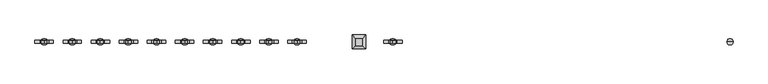
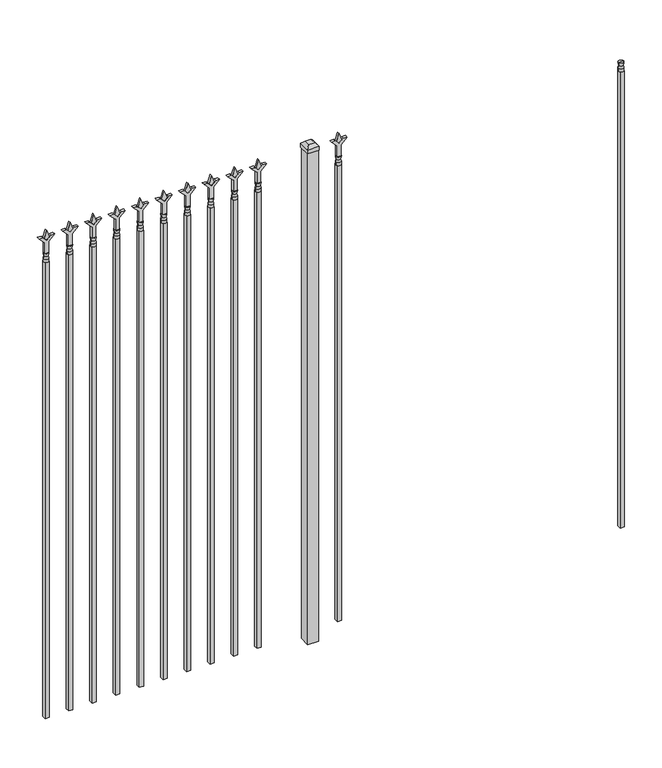
"""IFC4 building model written with IfcOpenShell, lengths in millimetres: railing geometry."""

from ifc_helpers import new_model, si_unit, frame, origin, origin_with_axes, place, context, project, spatial, polyline, circle_curve, outline, extrude, faceted_brep, source, transform, mapped, element, save
from ifc_brep_helpers import plane_surface, cylinder_surface, revolved_surface, advanced_brep


def railing_0f80632a(model_context):
    return source(origin(), model_context, "Body", "SolidModel", [
        advanced_brep(
        [(-52219.574337, -635.2570174, 2298.7), (-52243.386837, -635.2570174, 2298.7), (-52243.386837, -635.2570174, 2286.0), (-52219.574337, -635.2570174, 2286.0), (-52221.7796688, -635.2570174, 2311.2070585), (-52241.1815051, -635.2570174, 2311.2070585), (-52219.574337, -635.2570174, 2327.275), (-52243.386837, -635.2570174, 2327.275), (-52231.480587, -635.2570174, 2327.275), (-52231.480587, -635.2570174, 2286.0)],
        [
            (0, 1, circle_curve(frame((-52231.480587, -635.2570174, 2298.7), z_axis=(0.0, 0.0, -1.0), x_axis=(-1.0, 0.0, 0.0)), 11.90625)),
            (1, 2),
            (2, 3, circle_curve(frame((-52231.480587, -635.2570174, 2286.0), z_axis=(0.0, 0.0, 1.0), x_axis=(-1.0, 0.0, 0.0)), 11.90625)),
            (3, 0),
            (1, 0, circle_curve(frame((-52231.480587, -635.2570174, 2298.7), z_axis=(0.0, 0.0, -1.0), x_axis=(-1.0, 0.0, 0.0)), 11.90625)),
            (3, 2, circle_curve(frame((-52231.480587, -635.2570174, 2286.0), z_axis=(0.0, 0.0, 1.0), x_axis=(-1.0, 0.0, 0.0)), 11.90625)),
            (4, 5, circle_curve(frame((-52231.480587, -635.2570174, 2311.2070585), z_axis=(0.0, 0.0, -1.0), x_axis=(-1.0, 0.0, 0.0)), 9.7009181)),
            (5, 1),
            (0, 4),
            (5, 4, circle_curve(frame((-52231.480587, -635.2570174, 2311.2070585), z_axis=(0.0, 0.0, -1.0), x_axis=(-1.0, 0.0, 0.0)), 9.7009181)),
            (6, 7, circle_curve(frame((-52231.480587, -635.2570174, 2327.275), z_axis=(0.0, 0.0, -1.0), x_axis=(-1.0, 0.0, 0.0)), 11.90625)),
            (7, 5),
            (4, 6),
            (7, 6, circle_curve(frame((-52231.480587, -635.2570174, 2327.275), z_axis=(0.0, 0.0, -1.0), x_axis=(-1.0, 0.0, 0.0)), 11.90625)),
            (8, 7),
            (6, 8),
            (2, 9),
            (9, 3),
        ],
        [
            cylinder_surface(frame((-52231.480587, -635.2570174, 2286.0), z_axis=(0.0, 0.0, 1.0), x_axis=(-1.0, 0.0, 0.0)), 11.90625),
            revolved_surface(polyline([(-52243.386837, -635.2570174, 2298.7), (-52241.1815051, -635.2570174, 2311.2070585)]), (-52231.480587, -635.2570174, 2286.0), (0.0, 0.0, 1.0)),
            revolved_surface(polyline([(-52241.1815051, -635.2570174, 2311.2070585), (-52243.386837, -635.2570174, 2327.275)]), (-52231.480587, -635.2570174, 2286.0), (0.0, 0.0, 1.0)),
            plane_surface(frame((-52231.480587, -635.2570174, 2327.275), z_axis=(0.0, 0.0, 1.0), x_axis=(-1.0, 0.0, 0.0))),
            plane_surface(frame((-52231.480587, -635.2570174, 2286.0), z_axis=(0.0, 0.0, -1.0), x_axis=(-1.0, 0.0, 0.0))),
        ],
        [
            (0, [[1, 2, 3, 4]]),
            (0, [[5, -4, 6, -2]]),
            (1, [[7, 8, -1, 9]]),
            (1, [[10, -9, -5, -8]]),
            (2, [[11, 12, -7, 13]]),
            (2, [[14, -13, -10, -12]]),
            (3, [[15, -11, 16]]),
            (3, [[-16, -14, -15]]),
            (4, [[-3, 17, 18]]),
            (4, [[-6, -18, -17]]),
        ],
    ),
        extrude(outline(polyline([(-52241.005587, -625.7320174), (-52221.955587, -625.7320174), (-52221.955587, -644.7820174), (-52241.005587, -644.7820174), (-52241.005587, -625.7320174)])), frame((0.0, 0.0, 50.8), z_axis=(0.0, 0.0, 1.0), x_axis=(1.0, 0.0, 0.0)), (0.0, 0.0, 1.0), 2235.2),
        extrude(outline(polyline([(2402.68125, -53530.849337), (2438.4, -53542.755587), (2402.68125, -53554.661837), (2390.775, -53542.755587), (2402.68125, -53530.849337)])), frame((0.0, -640.0195174, 0.0), z_axis=(0.0, 1.0, 0.0), x_axis=(0.0, 0.0, 1.0)), (0.0, 0.0, 1.0), 9.525),
        extrude(outline(polyline([(2327.275, -53534.024337), (2381.5457378, -53534.024337), (2408.7355122, -53506.8345625), (2408.7355122, -53524.7950747), (2390.775, -53542.755587), (2408.7355122, -53560.7160992), (2408.7355122, -53578.6766114), (2381.5457378, -53551.486837), (2327.275, -53551.486837), (2327.275, -53534.024337)])), frame((0.0, -641.6070174, 0.0), z_axis=(0.0, 1.0, 0.0), x_axis=(0.0, 0.0, 1.0)), (0.0, 0.0, 1.0), 12.7),
        advanced_brep(
        [(-53530.849337, -635.2570174, 2298.7), (-53554.661837, -635.2570174, 2298.7), (-53554.661837, -635.2570174, 2286.0), (-53530.849337, -635.2570174, 2286.0), (-53533.0546688, -635.2570174, 2311.2070585), (-53552.4565051, -635.2570174, 2311.2070585), (-53530.849337, -635.2570174, 2327.275), (-53554.661837, -635.2570174, 2327.275), (-53542.755587, -635.2570174, 2327.275), (-53542.755587, -635.2570174, 2286.0)],
        [
            (0, 1, circle_curve(frame((-53542.755587, -635.2570174, 2298.7), z_axis=(0.0, 0.0, -1.0), x_axis=(-1.0, 0.0, 0.0)), 11.90625)),
            (1, 2),
            (2, 3, circle_curve(frame((-53542.755587, -635.2570174, 2286.0), z_axis=(0.0, 0.0, 1.0), x_axis=(-1.0, 0.0, 0.0)), 11.90625)),
            (3, 0),
            (1, 0, circle_curve(frame((-53542.755587, -635.2570174, 2298.7), z_axis=(0.0, 0.0, -1.0), x_axis=(-1.0, 0.0, 0.0)), 11.90625)),
            (3, 2, circle_curve(frame((-53542.755587, -635.2570174, 2286.0), z_axis=(0.0, 0.0, 1.0), x_axis=(-1.0, 0.0, 0.0)), 11.90625)),
            (4, 5, circle_curve(frame((-53542.755587, -635.2570174, 2311.2070585), z_axis=(0.0, 0.0, -1.0), x_axis=(-1.0, 0.0, 0.0)), 9.7009181)),
            (5, 1),
            (0, 4),
            (5, 4, circle_curve(frame((-53542.755587, -635.2570174, 2311.2070585), z_axis=(0.0, 0.0, -1.0), x_axis=(-1.0, 0.0, 0.0)), 9.7009181)),
            (6, 7, circle_curve(frame((-53542.755587, -635.2570174, 2327.275), z_axis=(0.0, 0.0, -1.0), x_axis=(-1.0, 0.0, 0.0)), 11.90625)),
            (7, 5),
            (4, 6),
            (7, 6, circle_curve(frame((-53542.755587, -635.2570174, 2327.275), z_axis=(0.0, 0.0, -1.0), x_axis=(-1.0, 0.0, 0.0)), 11.90625)),
            (8, 7),
            (6, 8),
            (2, 9),
            (9, 3),
        ],
        [
            cylinder_surface(frame((-53542.755587, -635.2570174, 2286.0), z_axis=(0.0, 0.0, 1.0), x_axis=(-1.0, 0.0, 0.0)), 11.90625),
            revolved_surface(polyline([(-53554.661837, -635.2570174, 2298.7), (-53552.4565051, -635.2570174, 2311.2070585)]), (-53542.755587, -635.2570174, 2286.0), (0.0, 0.0, 1.0)),
            revolved_surface(polyline([(-53552.4565051, -635.2570174, 2311.2070585), (-53554.661837, -635.2570174, 2327.275)]), (-53542.755587, -635.2570174, 2286.0), (0.0, 0.0, 1.0)),
            plane_surface(frame((-53542.755587, -635.2570174, 2327.275), z_axis=(0.0, 0.0, 1.0), x_axis=(-1.0, 0.0, 0.0))),
            plane_surface(frame((-53542.755587, -635.2570174, 2286.0), z_axis=(0.0, 0.0, -1.0), x_axis=(-1.0, 0.0, 0.0))),
        ],
        [
            (0, [[1, 2, 3, 4]]),
            (0, [[5, -4, 6, -2]]),
            (1, [[7, 8, -1, 9]]),
            (1, [[10, -9, -5, -8]]),
            (2, [[11, 12, -7, 13]]),
            (2, [[14, -13, -10, -12]]),
            (3, [[15, -11, 16]]),
            (3, [[-16, -14, -15]]),
            (4, [[-3, 17, 18]]),
            (4, [[-6, -18, -17]]),
        ],
    ),
        extrude(outline(polyline([(-53552.280587, -625.7320174), (-53533.230587, -625.7320174), (-53533.230587, -644.7820174), (-53552.280587, -644.7820174), (-53552.280587, -625.7320174)])), frame((0.0, 0.0, 50.8), z_axis=(0.0, 0.0, 1.0), x_axis=(1.0, 0.0, 0.0)), (0.0, 0.0, 1.0), 2235.2),
        extrude(outline(polyline([(-53649.118087, -609.8570174), (-53649.118087, -660.6570174), (-53699.918087, -660.6570174), (-53699.918087, -609.8570174), (-53649.118087, -609.8570174)])), origin_with_axes(), (0.0, 0.0, 1.0), 2406.65),
        faceted_brep([(-53701.505587, -608.2695174, 2425.7), (-53701.505587, -608.2695174, 2406.65), (-53701.505587, -662.2445174, 2406.65), (-53701.505587, -662.2445174, 2425.7), (-53688.805587, -620.9695174, 2438.4), (-53688.805587, -649.5445174, 2438.4), (-53647.530587, -662.2445174, 2406.65), (-53647.530587, -662.2445174, 2425.7), (-53660.230587, -649.5445174, 2438.4), (-53647.530587, -608.2695174, 2406.65), (-53647.530587, -608.2695174, 2425.7), (-53660.230587, -620.9695174, 2438.4)], [[[0, 1, 2, 3]], [[4, 0, 3, 5]], [[3, 2, 6, 7]], [[5, 3, 7, 8]], [[7, 6, 9, 10]], [[8, 7, 10, 11]], [[10, 9, 1, 0]], [[11, 10, 0, 4]], [[5, 8, 11, 4]], [[1, 9, 6, 2]]]),
        extrude(outline(polyline([(2402.68125, -53903.6472536), (2438.4, -53915.5535036), (2402.68125, -53927.4597536), (2390.775, -53915.5535036), (2402.68125, -53903.6472536)])), frame((0.0, -640.0195174, 0.0), z_axis=(0.0, 1.0, 0.0), x_axis=(0.0, 0.0, 1.0)), (0.0, 0.0, 1.0), 9.525),
        extrude(outline(polyline([(2327.275, -53906.8222536), (2381.5457378, -53906.8222536), (2408.7355122, -53879.6324791), (2408.7355122, -53897.5929914), (2390.775, -53915.5535036), (2408.7355122, -53933.5140159), (2408.7355122, -53951.4745281), (2381.5457378, -53924.2847536), (2327.275, -53924.2847536), (2327.275, -53906.8222536)])), frame((0.0, -641.6070174, 0.0), z_axis=(0.0, 1.0, 0.0), x_axis=(0.0, 0.0, 1.0)), (0.0, 0.0, 1.0), 12.7),
        advanced_brep(
        [(-53903.6472536, -635.2570174, 2298.7), (-53927.4597536, -635.2570174, 2298.7), (-53927.4597536, -635.2570174, 2286.0), (-53903.6472536, -635.2570174, 2286.0), (-53905.8525855, -635.2570174, 2311.2070585), (-53925.2544218, -635.2570174, 2311.2070585), (-53903.6472536, -635.2570174, 2327.275), (-53927.4597536, -635.2570174, 2327.275), (-53915.5535036, -635.2570174, 2327.275), (-53915.5535036, -635.2570174, 2286.0)],
        [
            (0, 1, circle_curve(frame((-53915.5535036, -635.2570174, 2298.7), z_axis=(0.0, 0.0, -1.0), x_axis=(-1.0, 0.0, 0.0)), 11.90625)),
            (1, 2),
            (2, 3, circle_curve(frame((-53915.5535036, -635.2570174, 2286.0), z_axis=(0.0, 0.0, 1.0), x_axis=(-1.0, 0.0, 0.0)), 11.90625)),
            (3, 0),
            (1, 0, circle_curve(frame((-53915.5535036, -635.2570174, 2298.7), z_axis=(0.0, 0.0, -1.0), x_axis=(-1.0, 0.0, 0.0)), 11.90625)),
            (3, 2, circle_curve(frame((-53915.5535036, -635.2570174, 2286.0), z_axis=(0.0, 0.0, 1.0), x_axis=(-1.0, 0.0, 0.0)), 11.90625)),
            (4, 5, circle_curve(frame((-53915.5535036, -635.2570174, 2311.2070585), z_axis=(0.0, 0.0, -1.0), x_axis=(-1.0, 0.0, 0.0)), 9.7009181)),
            (5, 1),
            (0, 4),
            (5, 4, circle_curve(frame((-53915.5535036, -635.2570174, 2311.2070585), z_axis=(0.0, 0.0, -1.0), x_axis=(-1.0, 0.0, 0.0)), 9.7009181)),
            (6, 7, circle_curve(frame((-53915.5535036, -635.2570174, 2327.275), z_axis=(0.0, 0.0, -1.0), x_axis=(-1.0, 0.0, 0.0)), 11.90625)),
            (7, 5),
            (4, 6),
            (7, 6, circle_curve(frame((-53915.5535036, -635.2570174, 2327.275), z_axis=(0.0, 0.0, -1.0), x_axis=(-1.0, 0.0, 0.0)), 11.90625)),
            (8, 7),
            (6, 8),
            (2, 9),
            (9, 3),
        ],
        [
            cylinder_surface(frame((-53915.5535036, -635.2570174, 2286.0), z_axis=(0.0, 0.0, 1.0), x_axis=(-1.0, 0.0, 0.0)), 11.90625),
            revolved_surface(polyline([(-53927.4597536, -635.2570174, 2298.7), (-53925.2544218, -635.2570174, 2311.2070585)]), (-53915.5535036, -635.2570174, 2286.0), (0.0, 0.0, 1.0)),
            revolved_surface(polyline([(-53925.2544218, -635.2570174, 2311.2070585), (-53927.4597536, -635.2570174, 2327.275)]), (-53915.5535036, -635.2570174, 2286.0), (0.0, 0.0, 1.0)),
            plane_surface(frame((-53915.5535036, -635.2570174, 2327.275), z_axis=(0.0, 0.0, 1.0), x_axis=(-1.0, 0.0, 0.0))),
            plane_surface(frame((-53915.5535036, -635.2570174, 2286.0), z_axis=(0.0, 0.0, -1.0), x_axis=(-1.0, 0.0, 0.0))),
        ],
        [
            (0, [[1, 2, 3, 4]]),
            (0, [[5, -4, 6, -2]]),
            (1, [[7, 8, -1, 9]]),
            (1, [[10, -9, -5, -8]]),
            (2, [[11, 12, -7, 13]]),
            (2, [[14, -13, -10, -12]]),
            (3, [[15, -11, 16]]),
            (3, [[-16, -14, -15]]),
            (4, [[-3, 17, 18]]),
            (4, [[-6, -18, -17]]),
        ],
    ),
        extrude(outline(polyline([(-53925.0785036, -625.7320174), (-53906.0285036, -625.7320174), (-53906.0285036, -644.7820174), (-53925.0785036, -644.7820174), (-53925.0785036, -625.7320174)])), frame((0.0, 0.0, 50.8), z_axis=(0.0, 0.0, 1.0), x_axis=(1.0, 0.0, 0.0)), (0.0, 0.0, 1.0), 2235.2),
        extrude(outline(polyline([(2402.68125, -54012.9201703), (2438.4, -54024.8264203), (2402.68125, -54036.7326703), (2390.775, -54024.8264203), (2402.68125, -54012.9201703)])), frame((0.0, -640.0195174, 0.0), z_axis=(0.0, 1.0, 0.0), x_axis=(0.0, 0.0, 1.0)), (0.0, 0.0, 1.0), 9.525),
        extrude(outline(polyline([(2327.275, -54016.0951703), (2381.5457378, -54016.0951703), (2408.7355122, -53988.9053958), (2408.7355122, -54006.8659081), (2390.775, -54024.8264203), (2408.7355122, -54042.7869325), (2408.7355122, -54060.7474448), (2381.5457378, -54033.5576703), (2327.275, -54033.5576703), (2327.275, -54016.0951703)])), frame((0.0, -641.6070174, 0.0), z_axis=(0.0, 1.0, 0.0), x_axis=(0.0, 0.0, 1.0)), (0.0, 0.0, 1.0), 12.7),
        advanced_brep(
        [(-54012.9201703, -635.2570174, 2298.7), (-54036.7326703, -635.2570174, 2298.7), (-54036.7326703, -635.2570174, 2286.0), (-54012.9201703, -635.2570174, 2286.0), (-54015.1255022, -635.2570174, 2311.2070585), (-54034.5273384, -635.2570174, 2311.2070585), (-54012.9201703, -635.2570174, 2327.275), (-54036.7326703, -635.2570174, 2327.275), (-54024.8264203, -635.2570174, 2327.275), (-54024.8264203, -635.2570174, 2286.0)],
        [
            (0, 1, circle_curve(frame((-54024.8264203, -635.2570174, 2298.7), z_axis=(0.0, 0.0, -1.0), x_axis=(-1.0, 0.0, 0.0)), 11.90625)),
            (1, 2),
            (2, 3, circle_curve(frame((-54024.8264203, -635.2570174, 2286.0), z_axis=(0.0, 0.0, 1.0), x_axis=(-1.0, 0.0, 0.0)), 11.90625)),
            (3, 0),
            (1, 0, circle_curve(frame((-54024.8264203, -635.2570174, 2298.7), z_axis=(0.0, 0.0, -1.0), x_axis=(-1.0, 0.0, 0.0)), 11.90625)),
            (3, 2, circle_curve(frame((-54024.8264203, -635.2570174, 2286.0), z_axis=(0.0, 0.0, 1.0), x_axis=(-1.0, 0.0, 0.0)), 11.90625)),
            (4, 5, circle_curve(frame((-54024.8264203, -635.2570174, 2311.2070585), z_axis=(0.0, 0.0, -1.0), x_axis=(-1.0, 0.0, 0.0)), 9.7009181)),
            (5, 1),
            (0, 4),
            (5, 4, circle_curve(frame((-54024.8264203, -635.2570174, 2311.2070585), z_axis=(0.0, 0.0, -1.0), x_axis=(-1.0, 0.0, 0.0)), 9.7009181)),
            (6, 7, circle_curve(frame((-54024.8264203, -635.2570174, 2327.275), z_axis=(0.0, 0.0, -1.0), x_axis=(-1.0, 0.0, 0.0)), 11.90625)),
            (7, 5),
            (4, 6),
            (7, 6, circle_curve(frame((-54024.8264203, -635.2570174, 2327.275), z_axis=(0.0, 0.0, -1.0), x_axis=(-1.0, 0.0, 0.0)), 11.90625)),
            (8, 7),
            (6, 8),
            (2, 9),
            (9, 3),
        ],
        [
            cylinder_surface(frame((-54024.8264203, -635.2570174, 2286.0), z_axis=(0.0, 0.0, 1.0), x_axis=(-1.0, 0.0, 0.0)), 11.90625),
            revolved_surface(polyline([(-54036.7326703, -635.2570174, 2298.7), (-54034.5273384, -635.2570174, 2311.2070585)]), (-54024.8264203, -635.2570174, 2286.0), (0.0, 0.0, 1.0)),
            revolved_surface(polyline([(-54034.5273384, -635.2570174, 2311.2070585), (-54036.7326703, -635.2570174, 2327.275)]), (-54024.8264203, -635.2570174, 2286.0), (0.0, 0.0, 1.0)),
            plane_surface(frame((-54024.8264203, -635.2570174, 2327.275), z_axis=(0.0, 0.0, 1.0), x_axis=(-1.0, 0.0, 0.0))),
            plane_surface(frame((-54024.8264203, -635.2570174, 2286.0), z_axis=(0.0, 0.0, -1.0), x_axis=(-1.0, 0.0, 0.0))),
        ],
        [
            (0, [[1, 2, 3, 4]]),
            (0, [[5, -4, 6, -2]]),
            (1, [[7, 8, -1, 9]]),
            (1, [[10, -9, -5, -8]]),
            (2, [[11, 12, -7, 13]]),
            (2, [[14, -13, -10, -12]]),
            (3, [[15, -11, 16]]),
            (3, [[-16, -14, -15]]),
            (4, [[-3, 17, 18]]),
            (4, [[-6, -18, -17]]),
        ],
    ),
        extrude(outline(polyline([(-54034.3514203, -625.7320174), (-54015.3014203, -625.7320174), (-54015.3014203, -644.7820174), (-54034.3514203, -644.7820174), (-54034.3514203, -625.7320174)])), frame((0.0, 0.0, 50.8), z_axis=(0.0, 0.0, 1.0), x_axis=(1.0, 0.0, 0.0)), (0.0, 0.0, 1.0), 2235.2),
        extrude(outline(polyline([(2402.68125, -54122.193087), (2438.4, -54134.099337), (2402.68125, -54146.005587), (2390.775, -54134.099337), (2402.68125, -54122.193087)])), frame((0.0, -640.0195174, 0.0), z_axis=(0.0, 1.0, 0.0), x_axis=(0.0, 0.0, 1.0)), (0.0, 0.0, 1.0), 9.525),
        extrude(outline(polyline([(2327.275, -54125.368087), (2381.5457378, -54125.368087), (2408.7355122, -54098.1783125), (2408.7355122, -54116.1388247), (2390.775, -54134.099337), (2408.7355122, -54152.0598492), (2408.7355122, -54170.0203614), (2381.5457378, -54142.830587), (2327.275, -54142.830587), (2327.275, -54125.368087)])), frame((0.0, -641.6070174, 0.0), z_axis=(0.0, 1.0, 0.0), x_axis=(0.0, 0.0, 1.0)), (0.0, 0.0, 1.0), 12.7),
        advanced_brep(
        [(-54122.193087, -635.2570174, 2298.7), (-54146.005587, -635.2570174, 2298.7), (-54146.005587, -635.2570174, 2286.0), (-54122.193087, -635.2570174, 2286.0), (-54124.3984188, -635.2570174, 2311.2070585), (-54143.8002551, -635.2570174, 2311.2070585), (-54122.193087, -635.2570174, 2327.275), (-54146.005587, -635.2570174, 2327.275), (-54134.099337, -635.2570174, 2327.275), (-54134.099337, -635.2570174, 2286.0)],
        [
            (0, 1, circle_curve(frame((-54134.099337, -635.2570174, 2298.7), z_axis=(0.0, 0.0, -1.0), x_axis=(-1.0, 0.0, 0.0)), 11.90625)),
            (1, 2),
            (2, 3, circle_curve(frame((-54134.099337, -635.2570174, 2286.0), z_axis=(0.0, 0.0, 1.0), x_axis=(-1.0, 0.0, 0.0)), 11.90625)),
            (3, 0),
            (1, 0, circle_curve(frame((-54134.099337, -635.2570174, 2298.7), z_axis=(0.0, 0.0, -1.0), x_axis=(-1.0, 0.0, 0.0)), 11.90625)),
            (3, 2, circle_curve(frame((-54134.099337, -635.2570174, 2286.0), z_axis=(0.0, 0.0, 1.0), x_axis=(-1.0, 0.0, 0.0)), 11.90625)),
            (4, 5, circle_curve(frame((-54134.099337, -635.2570174, 2311.2070585), z_axis=(0.0, 0.0, -1.0), x_axis=(-1.0, 0.0, 0.0)), 9.7009181)),
            (5, 1),
            (0, 4),
            (5, 4, circle_curve(frame((-54134.099337, -635.2570174, 2311.2070585), z_axis=(0.0, 0.0, -1.0), x_axis=(-1.0, 0.0, 0.0)), 9.7009181)),
            (6, 7, circle_curve(frame((-54134.099337, -635.2570174, 2327.275), z_axis=(0.0, 0.0, -1.0), x_axis=(-1.0, 0.0, 0.0)), 11.90625)),
            (7, 5),
            (4, 6),
            (7, 6, circle_curve(frame((-54134.099337, -635.2570174, 2327.275), z_axis=(0.0, 0.0, -1.0), x_axis=(-1.0, 0.0, 0.0)), 11.90625)),
            (8, 7),
            (6, 8),
            (2, 9),
            (9, 3),
        ],
        [
            cylinder_surface(frame((-54134.099337, -635.2570174, 2286.0), z_axis=(0.0, 0.0, 1.0), x_axis=(-1.0, 0.0, 0.0)), 11.90625),
            revolved_surface(polyline([(-54146.005587, -635.2570174, 2298.7), (-54143.8002551, -635.2570174, 2311.2070585)]), (-54134.099337, -635.2570174, 2286.0), (0.0, 0.0, 1.0)),
            revolved_surface(polyline([(-54143.8002551, -635.2570174, 2311.2070585), (-54146.005587, -635.2570174, 2327.275)]), (-54134.099337, -635.2570174, 2286.0), (0.0, 0.0, 1.0)),
            plane_surface(frame((-54134.099337, -635.2570174, 2327.275), z_axis=(0.0, 0.0, 1.0), x_axis=(-1.0, 0.0, 0.0))),
            plane_surface(frame((-54134.099337, -635.2570174, 2286.0), z_axis=(0.0, 0.0, -1.0), x_axis=(-1.0, 0.0, 0.0))),
        ],
        [
            (0, [[1, 2, 3, 4]]),
            (0, [[5, -4, 6, -2]]),
            (1, [[7, 8, -1, 9]]),
            (1, [[10, -9, -5, -8]]),
            (2, [[11, 12, -7, 13]]),
            (2, [[14, -13, -10, -12]]),
            (3, [[15, -11, 16]]),
            (3, [[-16, -14, -15]]),
            (4, [[-3, 17, 18]]),
            (4, [[-6, -18, -17]]),
        ],
    ),
        extrude(outline(polyline([(-54143.624337, -625.7320174), (-54124.574337, -625.7320174), (-54124.574337, -644.7820174), (-54143.624337, -644.7820174), (-54143.624337, -625.7320174)])), frame((0.0, 0.0, 50.8), z_axis=(0.0, 0.0, 1.0), x_axis=(1.0, 0.0, 0.0)), (0.0, 0.0, 1.0), 2235.2),
        extrude(outline(polyline([(2402.68125, -54231.4660036), (2438.4, -54243.3722536), (2402.68125, -54255.2785036), (2390.775, -54243.3722536), (2402.68125, -54231.4660036)])), frame((0.0, -640.0195174, 0.0), z_axis=(0.0, 1.0, 0.0), x_axis=(0.0, 0.0, 1.0)), (0.0, 0.0, 1.0), 9.525),
        extrude(outline(polyline([(2327.275, -54234.6410036), (2381.5457378, -54234.6410036), (2408.7355122, -54207.4512291), (2408.7355122, -54225.4117414), (2390.775, -54243.3722536), (2408.7355122, -54261.3327659), (2408.7355122, -54279.2932781), (2381.5457378, -54252.1035036), (2327.275, -54252.1035036), (2327.275, -54234.6410036)])), frame((0.0, -641.6070174, 0.0), z_axis=(0.0, 1.0, 0.0), x_axis=(0.0, 0.0, 1.0)), (0.0, 0.0, 1.0), 12.7),
        advanced_brep(
        [(-54231.4660036, -635.2570174, 2298.7), (-54255.2785036, -635.2570174, 2298.7), (-54255.2785036, -635.2570174, 2286.0), (-54231.4660036, -635.2570174, 2286.0), (-54233.6713355, -635.2570174, 2311.2070585), (-54253.0731718, -635.2570174, 2311.2070585), (-54231.4660036, -635.2570174, 2327.275), (-54255.2785036, -635.2570174, 2327.275), (-54243.3722536, -635.2570174, 2327.275), (-54243.3722536, -635.2570174, 2286.0)],
        [
            (0, 1, circle_curve(frame((-54243.3722536, -635.2570174, 2298.7), z_axis=(0.0, 0.0, -1.0), x_axis=(-1.0, 0.0, 0.0)), 11.90625)),
            (1, 2),
            (2, 3, circle_curve(frame((-54243.3722536, -635.2570174, 2286.0), z_axis=(0.0, 0.0, 1.0), x_axis=(-1.0, 0.0, 0.0)), 11.90625)),
            (3, 0),
            (1, 0, circle_curve(frame((-54243.3722536, -635.2570174, 2298.7), z_axis=(0.0, 0.0, -1.0), x_axis=(-1.0, 0.0, 0.0)), 11.90625)),
            (3, 2, circle_curve(frame((-54243.3722536, -635.2570174, 2286.0), z_axis=(0.0, 0.0, 1.0), x_axis=(-1.0, 0.0, 0.0)), 11.90625)),
            (4, 5, circle_curve(frame((-54243.3722536, -635.2570174, 2311.2070585), z_axis=(0.0, 0.0, -1.0), x_axis=(-1.0, 0.0, 0.0)), 9.7009181)),
            (5, 1),
            (0, 4),
            (5, 4, circle_curve(frame((-54243.3722536, -635.2570174, 2311.2070585), z_axis=(0.0, 0.0, -1.0), x_axis=(-1.0, 0.0, 0.0)), 9.7009181)),
            (6, 7, circle_curve(frame((-54243.3722536, -635.2570174, 2327.275), z_axis=(0.0, 0.0, -1.0), x_axis=(-1.0, 0.0, 0.0)), 11.90625)),
            (7, 5),
            (4, 6),
            (7, 6, circle_curve(frame((-54243.3722536, -635.2570174, 2327.275), z_axis=(0.0, 0.0, -1.0), x_axis=(-1.0, 0.0, 0.0)), 11.90625)),
            (8, 7),
            (6, 8),
            (2, 9),
            (9, 3),
        ],
        [
            cylinder_surface(frame((-54243.3722536, -635.2570174, 2286.0), z_axis=(0.0, 0.0, 1.0), x_axis=(-1.0, 0.0, 0.0)), 11.90625),
            revolved_surface(polyline([(-54255.2785036, -635.2570174, 2298.7), (-54253.0731718, -635.2570174, 2311.2070585)]), (-54243.3722536, -635.2570174, 2286.0), (0.0, 0.0, 1.0)),
            revolved_surface(polyline([(-54253.0731718, -635.2570174, 2311.2070585), (-54255.2785036, -635.2570174, 2327.275)]), (-54243.3722536, -635.2570174, 2286.0), (0.0, 0.0, 1.0)),
            plane_surface(frame((-54243.3722536, -635.2570174, 2327.275), z_axis=(0.0, 0.0, 1.0), x_axis=(-1.0, 0.0, 0.0))),
            plane_surface(frame((-54243.3722536, -635.2570174, 2286.0), z_axis=(0.0, 0.0, -1.0), x_axis=(-1.0, 0.0, 0.0))),
        ],
        [
            (0, [[1, 2, 3, 4]]),
            (0, [[5, -4, 6, -2]]),
            (1, [[7, 8, -1, 9]]),
            (1, [[10, -9, -5, -8]]),
            (2, [[11, 12, -7, 13]]),
            (2, [[14, -13, -10, -12]]),
            (3, [[15, -11, 16]]),
            (3, [[-16, -14, -15]]),
            (4, [[-3, 17, 18]]),
            (4, [[-6, -18, -17]]),
        ],
    ),
        extrude(outline(polyline([(-54252.8972536, -625.7320174), (-54233.8472536, -625.7320174), (-54233.8472536, -644.7820174), (-54252.8972536, -644.7820174), (-54252.8972536, -625.7320174)])), frame((0.0, 0.0, 50.8), z_axis=(0.0, 0.0, 1.0), x_axis=(1.0, 0.0, 0.0)), (0.0, 0.0, 1.0), 2235.2),
        extrude(outline(polyline([(2402.68125, -54340.7389203), (2438.4, -54352.6451703), (2402.68125, -54364.5514203), (2390.775, -54352.6451703), (2402.68125, -54340.7389203)])), frame((0.0, -640.0195174, 0.0), z_axis=(0.0, 1.0, 0.0), x_axis=(0.0, 0.0, 1.0)), (0.0, 0.0, 1.0), 9.525),
        extrude(outline(polyline([(2327.275, -54343.9139203), (2381.5457378, -54343.9139203), (2408.7355122, -54316.7241458), (2408.7355122, -54334.6846581), (2390.775, -54352.6451703), (2408.7355122, -54370.6056825), (2408.7355122, -54388.5661948), (2381.5457378, -54361.3764203), (2327.275, -54361.3764203), (2327.275, -54343.9139203)])), frame((0.0, -641.6070174, 0.0), z_axis=(0.0, 1.0, 0.0), x_axis=(0.0, 0.0, 1.0)), (0.0, 0.0, 1.0), 12.7),
        advanced_brep(
        [(-54340.7389203, -635.2570174, 2298.7), (-54364.5514203, -635.2570174, 2298.7), (-54364.5514203, -635.2570174, 2286.0), (-54340.7389203, -635.2570174, 2286.0), (-54342.9442522, -635.2570174, 2311.2070585), (-54362.3460884, -635.2570174, 2311.2070585), (-54340.7389203, -635.2570174, 2327.275), (-54364.5514203, -635.2570174, 2327.275), (-54352.6451703, -635.2570174, 2327.275), (-54352.6451703, -635.2570174, 2286.0)],
        [
            (0, 1, circle_curve(frame((-54352.6451703, -635.2570174, 2298.7), z_axis=(0.0, 0.0, -1.0), x_axis=(-1.0, 0.0, 0.0)), 11.90625)),
            (1, 2),
            (2, 3, circle_curve(frame((-54352.6451703, -635.2570174, 2286.0), z_axis=(0.0, 0.0, 1.0), x_axis=(-1.0, 0.0, 0.0)), 11.90625)),
            (3, 0),
            (1, 0, circle_curve(frame((-54352.6451703, -635.2570174, 2298.7), z_axis=(0.0, 0.0, -1.0), x_axis=(-1.0, 0.0, 0.0)), 11.90625)),
            (3, 2, circle_curve(frame((-54352.6451703, -635.2570174, 2286.0), z_axis=(0.0, 0.0, 1.0), x_axis=(-1.0, 0.0, 0.0)), 11.90625)),
            (4, 5, circle_curve(frame((-54352.6451703, -635.2570174, 2311.2070585), z_axis=(0.0, 0.0, -1.0), x_axis=(-1.0, 0.0, 0.0)), 9.7009181)),
            (5, 1),
            (0, 4),
            (5, 4, circle_curve(frame((-54352.6451703, -635.2570174, 2311.2070585), z_axis=(0.0, 0.0, -1.0), x_axis=(-1.0, 0.0, 0.0)), 9.7009181)),
            (6, 7, circle_curve(frame((-54352.6451703, -635.2570174, 2327.275), z_axis=(0.0, 0.0, -1.0), x_axis=(-1.0, 0.0, 0.0)), 11.90625)),
            (7, 5),
            (4, 6),
            (7, 6, circle_curve(frame((-54352.6451703, -635.2570174, 2327.275), z_axis=(0.0, 0.0, -1.0), x_axis=(-1.0, 0.0, 0.0)), 11.90625)),
            (8, 7),
            (6, 8),
            (2, 9),
            (9, 3),
        ],
        [
            cylinder_surface(frame((-54352.6451703, -635.2570174, 2286.0), z_axis=(0.0, 0.0, 1.0), x_axis=(-1.0, 0.0, 0.0)), 11.90625),
            revolved_surface(polyline([(-54364.5514203, -635.2570174, 2298.7), (-54362.3460884, -635.2570174, 2311.2070585)]), (-54352.6451703, -635.2570174, 2286.0), (0.0, 0.0, 1.0)),
            revolved_surface(polyline([(-54362.3460884, -635.2570174, 2311.2070585), (-54364.5514203, -635.2570174, 2327.275)]), (-54352.6451703, -635.2570174, 2286.0), (0.0, 0.0, 1.0)),
            plane_surface(frame((-54352.6451703, -635.2570174, 2327.275), z_axis=(0.0, 0.0, 1.0), x_axis=(-1.0, 0.0, 0.0))),
            plane_surface(frame((-54352.6451703, -635.2570174, 2286.0), z_axis=(0.0, 0.0, -1.0), x_axis=(-1.0, 0.0, 0.0))),
        ],
        [
            (0, [[1, 2, 3, 4]]),
            (0, [[5, -4, 6, -2]]),
            (1, [[7, 8, -1, 9]]),
            (1, [[10, -9, -5, -8]]),
            (2, [[11, 12, -7, 13]]),
            (2, [[14, -13, -10, -12]]),
            (3, [[15, -11, 16]]),
            (3, [[-16, -14, -15]]),
            (4, [[-3, 17, 18]]),
            (4, [[-6, -18, -17]]),
        ],
    ),
        extrude(outline(polyline([(-54362.1701703, -625.7320174), (-54343.1201703, -625.7320174), (-54343.1201703, -644.7820174), (-54362.1701703, -644.7820174), (-54362.1701703, -625.7320174)])), frame((0.0, 0.0, 50.8), z_axis=(0.0, 0.0, 1.0), x_axis=(1.0, 0.0, 0.0)), (0.0, 0.0, 1.0), 2235.2),
        extrude(outline(polyline([(2402.68125, -54450.011837), (2438.4, -54461.918087), (2402.68125, -54473.824337), (2390.775, -54461.918087), (2402.68125, -54450.011837)])), frame((0.0, -640.0195174, 0.0), z_axis=(0.0, 1.0, 0.0), x_axis=(0.0, 0.0, 1.0)), (0.0, 0.0, 1.0), 9.525),
        extrude(outline(polyline([(2327.275, -54453.186837), (2381.5457378, -54453.186837), (2408.7355122, -54425.9970625), (2408.7355122, -54443.9575747), (2390.775, -54461.918087), (2408.7355122, -54479.8785992), (2408.7355122, -54497.8391114), (2381.5457378, -54470.649337), (2327.275, -54470.649337), (2327.275, -54453.186837)])), frame((0.0, -641.6070174, 0.0), z_axis=(0.0, 1.0, 0.0), x_axis=(0.0, 0.0, 1.0)), (0.0, 0.0, 1.0), 12.7),
        advanced_brep(
        [(-54450.011837, -635.2570174, 2298.7), (-54473.824337, -635.2570174, 2298.7), (-54473.824337, -635.2570174, 2286.0), (-54450.011837, -635.2570174, 2286.0), (-54452.2171688, -635.2570174, 2311.2070585), (-54471.6190051, -635.2570174, 2311.2070585), (-54450.011837, -635.2570174, 2327.275), (-54473.824337, -635.2570174, 2327.275), (-54461.918087, -635.2570174, 2327.275), (-54461.918087, -635.2570174, 2286.0)],
        [
            (0, 1, circle_curve(frame((-54461.918087, -635.2570174, 2298.7), z_axis=(0.0, 0.0, -1.0), x_axis=(-1.0, 0.0, 0.0)), 11.90625)),
            (1, 2),
            (2, 3, circle_curve(frame((-54461.918087, -635.2570174, 2286.0), z_axis=(0.0, 0.0, 1.0), x_axis=(-1.0, 0.0, 0.0)), 11.90625)),
            (3, 0),
            (1, 0, circle_curve(frame((-54461.918087, -635.2570174, 2298.7), z_axis=(0.0, 0.0, -1.0), x_axis=(-1.0, 0.0, 0.0)), 11.90625)),
            (3, 2, circle_curve(frame((-54461.918087, -635.2570174, 2286.0), z_axis=(0.0, 0.0, 1.0), x_axis=(-1.0, 0.0, 0.0)), 11.90625)),
            (4, 5, circle_curve(frame((-54461.918087, -635.2570174, 2311.2070585), z_axis=(0.0, 0.0, -1.0), x_axis=(-1.0, 0.0, 0.0)), 9.7009181)),
            (5, 1),
            (0, 4),
            (5, 4, circle_curve(frame((-54461.918087, -635.2570174, 2311.2070585), z_axis=(0.0, 0.0, -1.0), x_axis=(-1.0, 0.0, 0.0)), 9.7009181)),
            (6, 7, circle_curve(frame((-54461.918087, -635.2570174, 2327.275), z_axis=(0.0, 0.0, -1.0), x_axis=(-1.0, 0.0, 0.0)), 11.90625)),
            (7, 5),
            (4, 6),
            (7, 6, circle_curve(frame((-54461.918087, -635.2570174, 2327.275), z_axis=(0.0, 0.0, -1.0), x_axis=(-1.0, 0.0, 0.0)), 11.90625)),
            (8, 7),
            (6, 8),
            (2, 9),
            (9, 3),
        ],
        [
            cylinder_surface(frame((-54461.918087, -635.2570174, 2286.0), z_axis=(0.0, 0.0, 1.0), x_axis=(-1.0, 0.0, 0.0)), 11.90625),
            revolved_surface(polyline([(-54473.824337, -635.2570174, 2298.7), (-54471.6190051, -635.2570174, 2311.2070585)]), (-54461.918087, -635.2570174, 2286.0), (0.0, 0.0, 1.0)),
            revolved_surface(polyline([(-54471.6190051, -635.2570174, 2311.2070585), (-54473.824337, -635.2570174, 2327.275)]), (-54461.918087, -635.2570174, 2286.0), (0.0, 0.0, 1.0)),
            plane_surface(frame((-54461.918087, -635.2570174, 2327.275), z_axis=(0.0, 0.0, 1.0), x_axis=(-1.0, 0.0, 0.0))),
            plane_surface(frame((-54461.918087, -635.2570174, 2286.0), z_axis=(0.0, 0.0, -1.0), x_axis=(-1.0, 0.0, 0.0))),
        ],
        [
            (0, [[1, 2, 3, 4]]),
            (0, [[5, -4, 6, -2]]),
            (1, [[7, 8, -1, 9]]),
            (1, [[10, -9, -5, -8]]),
            (2, [[11, 12, -7, 13]]),
            (2, [[14, -13, -10, -12]]),
            (3, [[15, -11, 16]]),
            (3, [[-16, -14, -15]]),
            (4, [[-3, 17, 18]]),
            (4, [[-6, -18, -17]]),
        ],
    ),
        extrude(outline(polyline([(-54471.443087, -625.7320174), (-54452.393087, -625.7320174), (-54452.393087, -644.7820174), (-54471.443087, -644.7820174), (-54471.443087, -625.7320174)])), frame((0.0, 0.0, 50.8), z_axis=(0.0, 0.0, 1.0), x_axis=(1.0, 0.0, 0.0)), (0.0, 0.0, 1.0), 2235.2),
        extrude(outline(polyline([(2402.68125, -54559.2847536), (2438.4, -54571.1910036), (2402.68125, -54583.0972536), (2390.775, -54571.1910036), (2402.68125, -54559.2847536)])), frame((0.0, -640.0195174, 0.0), z_axis=(0.0, 1.0, 0.0), x_axis=(0.0, 0.0, 1.0)), (0.0, 0.0, 1.0), 9.525),
        extrude(outline(polyline([(2327.275, -54562.4597536), (2381.5457378, -54562.4597536), (2408.7355122, -54535.2699791), (2408.7355122, -54553.2304914), (2390.775, -54571.1910036), (2408.7355122, -54589.1515159), (2408.7355122, -54607.1120281), (2381.5457378, -54579.9222536), (2327.275, -54579.9222536), (2327.275, -54562.4597536)])), frame((0.0, -641.6070174, 0.0), z_axis=(0.0, 1.0, 0.0), x_axis=(0.0, 0.0, 1.0)), (0.0, 0.0, 1.0), 12.7),
        advanced_brep(
        [(-54559.2847536, -635.2570174, 2298.7), (-54583.0972536, -635.2570174, 2298.7), (-54583.0972536, -635.2570174, 2286.0), (-54559.2847536, -635.2570174, 2286.0), (-54561.4900855, -635.2570174, 2311.2070585), (-54580.8919218, -635.2570174, 2311.2070585), (-54559.2847536, -635.2570174, 2327.275), (-54583.0972536, -635.2570174, 2327.275), (-54571.1910036, -635.2570174, 2327.275), (-54571.1910036, -635.2570174, 2286.0)],
        [
            (0, 1, circle_curve(frame((-54571.1910036, -635.2570174, 2298.7), z_axis=(0.0, 0.0, -1.0), x_axis=(-1.0, 0.0, 0.0)), 11.90625)),
            (1, 2),
            (2, 3, circle_curve(frame((-54571.1910036, -635.2570174, 2286.0), z_axis=(0.0, 0.0, 1.0), x_axis=(-1.0, 0.0, 0.0)), 11.90625)),
            (3, 0),
            (1, 0, circle_curve(frame((-54571.1910036, -635.2570174, 2298.7), z_axis=(0.0, 0.0, -1.0), x_axis=(-1.0, 0.0, 0.0)), 11.90625)),
            (3, 2, circle_curve(frame((-54571.1910036, -635.2570174, 2286.0), z_axis=(0.0, 0.0, 1.0), x_axis=(-1.0, 0.0, 0.0)), 11.90625)),
            (4, 5, circle_curve(frame((-54571.1910036, -635.2570174, 2311.2070585), z_axis=(0.0, 0.0, -1.0), x_axis=(-1.0, 0.0, 0.0)), 9.7009181)),
            (5, 1),
            (0, 4),
            (5, 4, circle_curve(frame((-54571.1910036, -635.2570174, 2311.2070585), z_axis=(0.0, 0.0, -1.0), x_axis=(-1.0, 0.0, 0.0)), 9.7009181)),
            (6, 7, circle_curve(frame((-54571.1910036, -635.2570174, 2327.275), z_axis=(0.0, 0.0, -1.0), x_axis=(-1.0, 0.0, 0.0)), 11.90625)),
            (7, 5),
            (4, 6),
            (7, 6, circle_curve(frame((-54571.1910036, -635.2570174, 2327.275), z_axis=(0.0, 0.0, -1.0), x_axis=(-1.0, 0.0, 0.0)), 11.90625)),
            (8, 7),
            (6, 8),
            (2, 9),
            (9, 3),
        ],
        [
            cylinder_surface(frame((-54571.1910036, -635.2570174, 2286.0), z_axis=(0.0, 0.0, 1.0), x_axis=(-1.0, 0.0, 0.0)), 11.90625),
            revolved_surface(polyline([(-54583.0972536, -635.2570174, 2298.7), (-54580.8919218, -635.2570174, 2311.2070585)]), (-54571.1910036, -635.2570174, 2286.0), (0.0, 0.0, 1.0)),
            revolved_surface(polyline([(-54580.8919218, -635.2570174, 2311.2070585), (-54583.0972536, -635.2570174, 2327.275)]), (-54571.1910036, -635.2570174, 2286.0), (0.0, 0.0, 1.0)),
            plane_surface(frame((-54571.1910036, -635.2570174, 2327.275), z_axis=(0.0, 0.0, 1.0), x_axis=(-1.0, 0.0, 0.0))),
            plane_surface(frame((-54571.1910036, -635.2570174, 2286.0), z_axis=(0.0, 0.0, -1.0), x_axis=(-1.0, 0.0, 0.0))),
        ],
        [
            (0, [[1, 2, 3, 4]]),
            (0, [[5, -4, 6, -2]]),
            (1, [[7, 8, -1, 9]]),
            (1, [[10, -9, -5, -8]]),
            (2, [[11, 12, -7, 13]]),
            (2, [[14, -13, -10, -12]]),
            (3, [[15, -11, 16]]),
            (3, [[-16, -14, -15]]),
            (4, [[-3, 17, 18]]),
            (4, [[-6, -18, -17]]),
        ],
    ),
        extrude(outline(polyline([(-54580.7160036, -625.7320174), (-54561.6660036, -625.7320174), (-54561.6660036, -644.7820174), (-54580.7160036, -644.7820174), (-54580.7160036, -625.7320174)])), frame((0.0, 0.0, 50.8), z_axis=(0.0, 0.0, 1.0), x_axis=(1.0, 0.0, 0.0)), (0.0, 0.0, 1.0), 2235.2),
        extrude(outline(polyline([(2402.68125, -54668.5576703), (2438.4, -54680.4639203), (2402.68125, -54692.3701703), (2390.775, -54680.4639203), (2402.68125, -54668.5576703)])), frame((0.0, -640.0195174, 0.0), z_axis=(0.0, 1.0, 0.0), x_axis=(0.0, 0.0, 1.0)), (0.0, 0.0, 1.0), 9.525),
        extrude(outline(polyline([(2327.275, -54671.7326703), (2381.5457378, -54671.7326703), (2408.7355122, -54644.5428958), (2408.7355122, -54662.5034081), (2390.775, -54680.4639203), (2408.7355122, -54698.4244325), (2408.7355122, -54716.3849448), (2381.5457378, -54689.1951703), (2327.275, -54689.1951703), (2327.275, -54671.7326703)])), frame((0.0, -641.6070174, 0.0), z_axis=(0.0, 1.0, 0.0), x_axis=(0.0, 0.0, 1.0)), (0.0, 0.0, 1.0), 12.7),
        advanced_brep(
        [(-54668.5576703, -635.2570174, 2298.7), (-54692.3701703, -635.2570174, 2298.7), (-54692.3701703, -635.2570174, 2286.0), (-54668.5576703, -635.2570174, 2286.0), (-54670.7630022, -635.2570174, 2311.2070585), (-54690.1648384, -635.2570174, 2311.2070585), (-54668.5576703, -635.2570174, 2327.275), (-54692.3701703, -635.2570174, 2327.275), (-54680.4639203, -635.2570174, 2327.275), (-54680.4639203, -635.2570174, 2286.0)],
        [
            (0, 1, circle_curve(frame((-54680.4639203, -635.2570174, 2298.7), z_axis=(0.0, 0.0, -1.0), x_axis=(-1.0, 0.0, 0.0)), 11.90625)),
            (1, 2),
            (2, 3, circle_curve(frame((-54680.4639203, -635.2570174, 2286.0), z_axis=(0.0, 0.0, 1.0), x_axis=(-1.0, 0.0, 0.0)), 11.90625)),
            (3, 0),
            (1, 0, circle_curve(frame((-54680.4639203, -635.2570174, 2298.7), z_axis=(0.0, 0.0, -1.0), x_axis=(-1.0, 0.0, 0.0)), 11.90625)),
            (3, 2, circle_curve(frame((-54680.4639203, -635.2570174, 2286.0), z_axis=(0.0, 0.0, 1.0), x_axis=(-1.0, 0.0, 0.0)), 11.90625)),
            (4, 5, circle_curve(frame((-54680.4639203, -635.2570174, 2311.2070585), z_axis=(0.0, 0.0, -1.0), x_axis=(-1.0, 0.0, 0.0)), 9.7009181)),
            (5, 1),
            (0, 4),
            (5, 4, circle_curve(frame((-54680.4639203, -635.2570174, 2311.2070585), z_axis=(0.0, 0.0, -1.0), x_axis=(-1.0, 0.0, 0.0)), 9.7009181)),
            (6, 7, circle_curve(frame((-54680.4639203, -635.2570174, 2327.275), z_axis=(0.0, 0.0, -1.0), x_axis=(-1.0, 0.0, 0.0)), 11.90625)),
            (7, 5),
            (4, 6),
            (7, 6, circle_curve(frame((-54680.4639203, -635.2570174, 2327.275), z_axis=(0.0, 0.0, -1.0), x_axis=(-1.0, 0.0, 0.0)), 11.90625)),
            (8, 7),
            (6, 8),
            (2, 9),
            (9, 3),
        ],
        [
            cylinder_surface(frame((-54680.4639203, -635.2570174, 2286.0), z_axis=(0.0, 0.0, 1.0), x_axis=(-1.0, 0.0, 0.0)), 11.90625),
            revolved_surface(polyline([(-54692.3701703, -635.2570174, 2298.7), (-54690.1648384, -635.2570174, 2311.2070585)]), (-54680.4639203, -635.2570174, 2286.0), (0.0, 0.0, 1.0)),
            revolved_surface(polyline([(-54690.1648384, -635.2570174, 2311.2070585), (-54692.3701703, -635.2570174, 2327.275)]), (-54680.4639203, -635.2570174, 2286.0), (0.0, 0.0, 1.0)),
            plane_surface(frame((-54680.4639203, -635.2570174, 2327.275), z_axis=(0.0, 0.0, 1.0), x_axis=(-1.0, 0.0, 0.0))),
            plane_surface(frame((-54680.4639203, -635.2570174, 2286.0), z_axis=(0.0, 0.0, -1.0), x_axis=(-1.0, 0.0, 0.0))),
        ],
        [
            (0, [[1, 2, 3, 4]]),
            (0, [[5, -4, 6, -2]]),
            (1, [[7, 8, -1, 9]]),
            (1, [[10, -9, -5, -8]]),
            (2, [[11, 12, -7, 13]]),
            (2, [[14, -13, -10, -12]]),
            (3, [[15, -11, 16]]),
            (3, [[-16, -14, -15]]),
            (4, [[-3, 17, 18]]),
            (4, [[-6, -18, -17]]),
        ],
    ),
        extrude(outline(polyline([(-54689.9889203, -625.7320174), (-54670.9389203, -625.7320174), (-54670.9389203, -644.7820174), (-54689.9889203, -644.7820174), (-54689.9889203, -625.7320174)])), frame((0.0, 0.0, 50.8), z_axis=(0.0, 0.0, 1.0), x_axis=(1.0, 0.0, 0.0)), (0.0, 0.0, 1.0), 2235.2),
        extrude(outline(polyline([(2402.68125, -54777.830587), (2438.4, -54789.736837), (2402.68125, -54801.643087), (2390.775, -54789.736837), (2402.68125, -54777.830587)])), frame((0.0, -640.0195174, 0.0), z_axis=(0.0, 1.0, 0.0), x_axis=(0.0, 0.0, 1.0)), (0.0, 0.0, 1.0), 9.525),
        extrude(outline(polyline([(2327.275, -54781.005587), (2381.5457378, -54781.005587), (2408.7355122, -54753.8158125), (2408.7355122, -54771.7763247), (2390.775, -54789.736837), (2408.7355122, -54807.6973492), (2408.7355122, -54825.6578614), (2381.5457378, -54798.468087), (2327.275, -54798.468087), (2327.275, -54781.005587)])), frame((0.0, -641.6070174, 0.0), z_axis=(0.0, 1.0, 0.0), x_axis=(0.0, 0.0, 1.0)), (0.0, 0.0, 1.0), 12.7),
        advanced_brep(
        [(-54777.830587, -635.2570174, 2298.7), (-54801.643087, -635.2570174, 2298.7), (-54801.643087, -635.2570174, 2286.0), (-54777.830587, -635.2570174, 2286.0), (-54780.0359188, -635.2570174, 2311.2070585), (-54799.4377551, -635.2570174, 2311.2070585), (-54777.830587, -635.2570174, 2327.275), (-54801.643087, -635.2570174, 2327.275), (-54789.736837, -635.2570174, 2327.275), (-54789.736837, -635.2570174, 2286.0)],
        [
            (0, 1, circle_curve(frame((-54789.736837, -635.2570174, 2298.7), z_axis=(0.0, 0.0, -1.0), x_axis=(-1.0, 0.0, 0.0)), 11.90625)),
            (1, 2),
            (2, 3, circle_curve(frame((-54789.736837, -635.2570174, 2286.0), z_axis=(0.0, 0.0, 1.0), x_axis=(-1.0, 0.0, 0.0)), 11.90625)),
            (3, 0),
            (1, 0, circle_curve(frame((-54789.736837, -635.2570174, 2298.7), z_axis=(0.0, 0.0, -1.0), x_axis=(-1.0, 0.0, 0.0)), 11.90625)),
            (3, 2, circle_curve(frame((-54789.736837, -635.2570174, 2286.0), z_axis=(0.0, 0.0, 1.0), x_axis=(-1.0, 0.0, 0.0)), 11.90625)),
            (4, 5, circle_curve(frame((-54789.736837, -635.2570174, 2311.2070585), z_axis=(0.0, 0.0, -1.0), x_axis=(-1.0, 0.0, 0.0)), 9.7009181)),
            (5, 1),
            (0, 4),
            (5, 4, circle_curve(frame((-54789.736837, -635.2570174, 2311.2070585), z_axis=(0.0, 0.0, -1.0), x_axis=(-1.0, 0.0, 0.0)), 9.7009181)),
            (6, 7, circle_curve(frame((-54789.736837, -635.2570174, 2327.275), z_axis=(0.0, 0.0, -1.0), x_axis=(-1.0, 0.0, 0.0)), 11.90625)),
            (7, 5),
            (4, 6),
            (7, 6, circle_curve(frame((-54789.736837, -635.2570174, 2327.275), z_axis=(0.0, 0.0, -1.0), x_axis=(-1.0, 0.0, 0.0)), 11.90625)),
            (8, 7),
            (6, 8),
            (2, 9),
            (9, 3),
        ],
        [
            cylinder_surface(frame((-54789.736837, -635.2570174, 2286.0), z_axis=(0.0, 0.0, 1.0), x_axis=(-1.0, 0.0, 0.0)), 11.90625),
            revolved_surface(polyline([(-54801.643087, -635.2570174, 2298.7), (-54799.4377551, -635.2570174, 2311.2070585)]), (-54789.736837, -635.2570174, 2286.0), (0.0, 0.0, 1.0)),
            revolved_surface(polyline([(-54799.4377551, -635.2570174, 2311.2070585), (-54801.643087, -635.2570174, 2327.275)]), (-54789.736837, -635.2570174, 2286.0), (0.0, 0.0, 1.0)),
            plane_surface(frame((-54789.736837, -635.2570174, 2327.275), z_axis=(0.0, 0.0, 1.0), x_axis=(-1.0, 0.0, 0.0))),
            plane_surface(frame((-54789.736837, -635.2570174, 2286.0), z_axis=(0.0, 0.0, -1.0), x_axis=(-1.0, 0.0, 0.0))),
        ],
        [
            (0, [[1, 2, 3, 4]]),
            (0, [[5, -4, 6, -2]]),
            (1, [[7, 8, -1, 9]]),
            (1, [[10, -9, -5, -8]]),
            (2, [[11, 12, -7, 13]]),
            (2, [[14, -13, -10, -12]]),
            (3, [[15, -11, 16]]),
            (3, [[-16, -14, -15]]),
            (4, [[-3, 17, 18]]),
            (4, [[-6, -18, -17]]),
        ],
    ),
        extrude(outline(polyline([(-54799.261837, -625.7320174), (-54780.211837, -625.7320174), (-54780.211837, -644.7820174), (-54799.261837, -644.7820174), (-54799.261837, -625.7320174)])), frame((0.0, 0.0, 50.8), z_axis=(0.0, 0.0, 1.0), x_axis=(1.0, 0.0, 0.0)), (0.0, 0.0, 1.0), 2235.2),
        extrude(outline(polyline([(2402.68125, -54887.1035036), (2438.4, -54899.0097536), (2402.68125, -54910.9160036), (2390.775, -54899.0097536), (2402.68125, -54887.1035036)])), frame((0.0, -640.0195174, 0.0), z_axis=(0.0, 1.0, 0.0), x_axis=(0.0, 0.0, 1.0)), (0.0, 0.0, 1.0), 9.525),
        extrude(outline(polyline([(2327.275, -54890.2785036), (2381.5457378, -54890.2785036), (2408.7355122, -54863.0887291), (2408.7355122, -54881.0492414), (2390.775, -54899.0097536), (2408.7355122, -54916.9702659), (2408.7355122, -54934.9307781), (2381.5457378, -54907.7410036), (2327.275, -54907.7410036), (2327.275, -54890.2785036)])), frame((0.0, -641.6070174, 0.0), z_axis=(0.0, 1.0, 0.0), x_axis=(0.0, 0.0, 1.0)), (0.0, 0.0, 1.0), 12.7),
        advanced_brep(
        [(-54887.1035036, -635.2570174, 2298.7), (-54910.9160036, -635.2570174, 2298.7), (-54910.9160036, -635.2570174, 2286.0), (-54887.1035036, -635.2570174, 2286.0), (-54889.3088355, -635.2570174, 2311.2070585), (-54908.7106718, -635.2570174, 2311.2070585), (-54887.1035036, -635.2570174, 2327.275), (-54910.9160036, -635.2570174, 2327.275), (-54899.0097536, -635.2570174, 2327.275), (-54899.0097536, -635.2570174, 2286.0)],
        [
            (0, 1, circle_curve(frame((-54899.0097536, -635.2570174, 2298.7), z_axis=(0.0, 0.0, -1.0), x_axis=(-1.0, 0.0, 0.0)), 11.90625)),
            (1, 2),
            (2, 3, circle_curve(frame((-54899.0097536, -635.2570174, 2286.0), z_axis=(0.0, 0.0, 1.0), x_axis=(-1.0, 0.0, 0.0)), 11.90625)),
            (3, 0),
            (1, 0, circle_curve(frame((-54899.0097536, -635.2570174, 2298.7), z_axis=(0.0, 0.0, -1.0), x_axis=(-1.0, 0.0, 0.0)), 11.90625)),
            (3, 2, circle_curve(frame((-54899.0097536, -635.2570174, 2286.0), z_axis=(0.0, 0.0, 1.0), x_axis=(-1.0, 0.0, 0.0)), 11.90625)),
            (4, 5, circle_curve(frame((-54899.0097536, -635.2570174, 2311.2070585), z_axis=(0.0, 0.0, -1.0), x_axis=(-1.0, 0.0, 0.0)), 9.7009181)),
            (5, 1),
            (0, 4),
            (5, 4, circle_curve(frame((-54899.0097536, -635.2570174, 2311.2070585), z_axis=(0.0, 0.0, -1.0), x_axis=(-1.0, 0.0, 0.0)), 9.7009181)),
            (6, 7, circle_curve(frame((-54899.0097536, -635.2570174, 2327.275), z_axis=(0.0, 0.0, -1.0), x_axis=(-1.0, 0.0, 0.0)), 11.90625)),
            (7, 5),
            (4, 6),
            (7, 6, circle_curve(frame((-54899.0097536, -635.2570174, 2327.275), z_axis=(0.0, 0.0, -1.0), x_axis=(-1.0, 0.0, 0.0)), 11.90625)),
            (8, 7),
            (6, 8),
            (2, 9),
            (9, 3),
        ],
        [
            cylinder_surface(frame((-54899.0097536, -635.2570174, 2286.0), z_axis=(0.0, 0.0, 1.0), x_axis=(-1.0, 0.0, 0.0)), 11.90625),
            revolved_surface(polyline([(-54910.9160036, -635.2570174, 2298.7), (-54908.7106718, -635.2570174, 2311.2070585)]), (-54899.0097536, -635.2570174, 2286.0), (0.0, 0.0, 1.0)),
            revolved_surface(polyline([(-54908.7106718, -635.2570174, 2311.2070585), (-54910.9160036, -635.2570174, 2327.275)]), (-54899.0097536, -635.2570174, 2286.0), (0.0, 0.0, 1.0)),
            plane_surface(frame((-54899.0097536, -635.2570174, 2327.275), z_axis=(0.0, 0.0, 1.0), x_axis=(-1.0, 0.0, 0.0))),
            plane_surface(frame((-54899.0097536, -635.2570174, 2286.0), z_axis=(0.0, 0.0, -1.0), x_axis=(-1.0, 0.0, 0.0))),
        ],
        [
            (0, [[1, 2, 3, 4]]),
            (0, [[5, -4, 6, -2]]),
            (1, [[7, 8, -1, 9]]),
            (1, [[10, -9, -5, -8]]),
            (2, [[11, 12, -7, 13]]),
            (2, [[14, -13, -10, -12]]),
            (3, [[15, -11, 16]]),
            (3, [[-16, -14, -15]]),
            (4, [[-3, 17, 18]]),
            (4, [[-6, -18, -17]]),
        ],
    ),
        extrude(outline(polyline([(-54908.5347536, -625.7320174), (-54889.4847536, -625.7320174), (-54889.4847536, -644.7820174), (-54908.5347536, -644.7820174), (-54908.5347536, -625.7320174)])), frame((0.0, 0.0, 50.8), z_axis=(0.0, 0.0, 1.0), x_axis=(1.0, 0.0, 0.0)), (0.0, 0.0, 1.0), 2235.2),
    ])


if __name__ == "__main__":
    model = new_model("IFC4")
    model_context = context("Model", 3, world=origin())
    ifc_project = project(units=[si_unit("LENGTHUNIT", "METRE", prefix="MILLI")], contexts=[model_context])
    site = spatial("IfcSite", under=ifc_project)
    building = spatial("IfcBuilding", under=site)
    placement = place(None, origin())
    railing_shape = railing_0f80632a(model_context)
    element("IfcRailing", 1, at=placement, inside=building, context=model_context, shape_type="MappedRepresentation", body=[
        mapped(railing_shape, transform((0.0, 0.0, 0.0), x_axis=(1.0, 0.0, 0.0), y_axis=(0.0, 1.0, 0.0), z_axis=(0.0, 0.0, 1.0))),
    ])
    save(model, "model.ifc")
